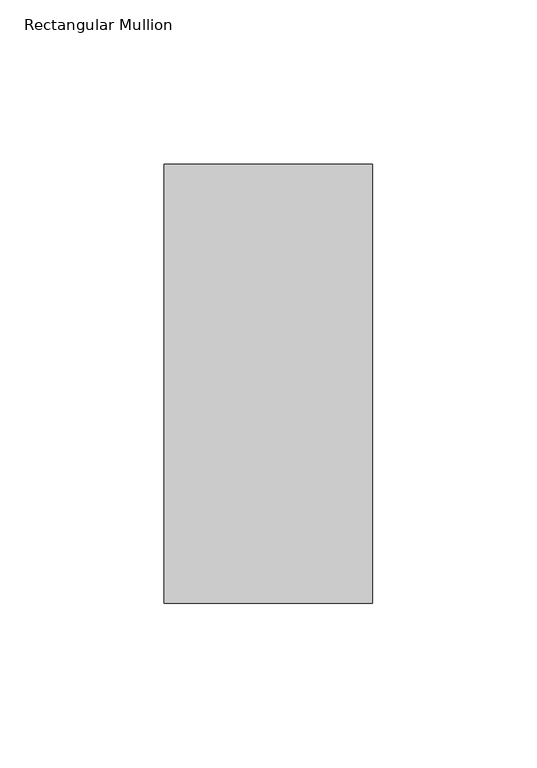
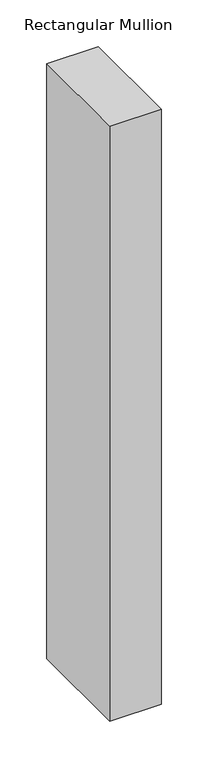
"""IFC4 building model written with IfcOpenShell, lengths in millimetres: member geometry, Rectangular Mullion."""

import ifcopenshell
import ifcopenshell.guid

model = None  # the IFC model being written
_history = None  # IfcOwnerHistory: only IFC2X3 demands one
_inside = {}  # id of a spatial element -> (the spatial element, [elements in it])
_under = {}  # id of a project, library or spatial element -> (it, [spatial elements below it])
_declared = {}  # id of a project -> (the project, [libraries it declares])
_typed = {}  # id of a type object -> (the type object, [elements of that type])
_made_of = {}  # id of a material, layer set ... -> (it, [elements and type objects made of it])


def new_model(schema):
    """Start an empty IFC model of exactly this schema.

    Asked for "IFC4X3", IfcOpenShell would pick the latest addendum, in which some entities
    have other attributes; the version numbers below select the first issue.
    IFC2X3 requires an IfcOwnerHistory on every rooted entity: one is made here for all.
    """
    global model, _history
    if schema == "IFC4X3":
        model = ifcopenshell.file(schema_version=(4, 3, 0, 0))
    else:
        model = ifcopenshell.file(schema=schema)
    _inside.clear()
    _under.clear()
    _declared.clear()
    _typed.clear()
    _made_of.clear()
    _history = None
    if model.schema == "IFC2X3":
        org = make("IfcOrganization", Name="unknown")
        user = make(
            "IfcPersonAndOrganization",
            ThePerson=make("IfcPerson", FamilyName="unknown"),
            TheOrganization=org,
        )
        app = make(
            "IfcApplication",
            ApplicationDeveloper=org,
            Version="unknown",
            ApplicationFullName="unknown",
            ApplicationIdentifier="unknown",
        )
        _history = make(
            "IfcOwnerHistory",
            OwningUser=user,
            OwningApplication=app,
            ChangeAction="ADDED",
            CreationDate=0,
        )
    return model


def make(cls, **values):
    """One entity of the class cls with the attributes given. An attribute that is None is left unset."""
    return model.create_entity(
        cls, **{name: value for name, value in values.items() if value is not None}
    )


def rooted(cls, **values):
    """An entity with a GlobalId (a new one), such as an element, a storey or a relation."""
    return make(cls, GlobalId=ifcopenshell.guid.new(), OwnerHistory=_history, **values)


def si_unit(unit_type, name, prefix=None):
    """IfcSIUnit, for example si_unit("LENGTHUNIT", "METRE", prefix="MILLI")."""
    return make("IfcSIUnit", UnitType=unit_type, Prefix=prefix, Name=name)


def assignment(units):
    """IfcUnitAssignment: the units of a project."""
    return None if units is None else make("IfcUnitAssignment", Units=units)


def point(xyz):
    """IfcCartesianPoint."""
    return None if xyz is None else make("IfcCartesianPoint", Coordinates=xyz)


def direction(xyz):
    """IfcDirection."""
    return None if xyz is None else make("IfcDirection", DirectionRatios=xyz)


def frame(location, z_axis=None, x_axis=None):
    """IfcAxis2Placement3D, a coordinate frame: its origin and axes. An axis left out is left unset."""
    return make(
        "IfcAxis2Placement3D",
        Location=point(location),
        Axis=direction(z_axis),
        RefDirection=direction(x_axis),
    )


def origin():
    """The frame at (0, 0, 0) with its axes left unset."""
    return frame((0.0, 0.0, 0.0))


def place(relative_to, where):
    """IfcLocalPlacement: puts the frame where relative to a parent placement (None: the world)."""
    return make(
        "IfcLocalPlacement", PlacementRelTo=relative_to, RelativePlacement=where
    )


def context(
    kind, dimensions, precision=None, world=None, true_north=None, identifier=None
):
    """IfcGeometricRepresentationContext, for example the 3D "Model" context."""
    return make(
        "IfcGeometricRepresentationContext",
        ContextIdentifier=identifier,
        ContextType=kind,
        CoordinateSpaceDimension=dimensions,
        Precision=precision,
        WorldCoordinateSystem=world,
        TrueNorth=true_north,
    )


def project(units=None, contexts=None):
    """IfcProject with its units and contexts."""
    return rooted(
        "IfcProject",
        Name="project",
        RepresentationContexts=contexts,
        UnitsInContext=assignment(units),
    )


def spatial(cls, under=None, at=None, **own):
    """A site, building, storey or space (cls), placed at a placement, below another one or the project."""
    s = rooted(cls, ObjectPlacement=at, **own)
    if under is not None:
        _under.setdefault(under.id(), (under, []))[1].append(s)
    return s


def polyline(points):
    """IfcPolyline through the points."""
    return make("IfcPolyline", Points=[point(p) for p in points])


def outline(outer, holes=None, kind="AREA"):
    """IfcArbitraryClosedProfileDef: a profile drawn as a closed curve; with holes, ...WithVoids."""
    if holes is None:
        return make("IfcArbitraryClosedProfileDef", ProfileType=kind, OuterCurve=outer)
    return make(
        "IfcArbitraryProfileDefWithVoids",
        ProfileType=kind,
        OuterCurve=outer,
        InnerCurves=holes,
    )


def extrude(swept, where, along, depth):
    """IfcExtrudedAreaSolid: the profile swept, set in the frame where, extruded along a direction by depth."""
    return make(
        "IfcExtrudedAreaSolid",
        SweptArea=swept,
        Position=where,
        ExtrudedDirection=direction(along),
        Depth=depth,
    )


def shape(context_of_items, identifier, shape_type, items):
    """IfcShapeRepresentation: the items that make up one representation, for example the "Body"."""
    return make(
        "IfcShapeRepresentation",
        ContextOfItems=context_of_items,
        RepresentationIdentifier=identifier,
        RepresentationType=shape_type,
        Items=items,
    )


def source(mapping_origin, context_of_items, identifier, shape_type, items):
    """IfcRepresentationMap: a shape defined once, which mapped items show again and again."""
    return make(
        "IfcRepresentationMap",
        MappingOrigin=mapping_origin,
        MappedRepresentation=shape(context_of_items, identifier, shape_type, items),
    )


def transform(
    local_origin,
    x_axis=None,
    y_axis=None,
    z_axis=None,
    scale=None,
    scale2=None,
    scale3=None,
    uniform=True,
):
    """IfcCartesianTransformationOperator3D, or its non-uniform kind. x_axis, y_axis, z_axis: its Axis1, 2, 3."""
    if uniform:
        return make(
            "IfcCartesianTransformationOperator3D",
            Axis1=direction(x_axis),
            Axis2=direction(y_axis),
            LocalOrigin=point(local_origin),
            Scale=scale,
            Axis3=direction(z_axis),
        )
    return make(
        "IfcCartesianTransformationOperator3DnonUniform",
        Axis1=direction(x_axis),
        Axis2=direction(y_axis),
        LocalOrigin=point(local_origin),
        Scale=scale,
        Axis3=direction(z_axis),
        Scale2=scale2,
        Scale3=scale3,
    )


def mapped(mapping_source, mapping_target):
    """IfcMappedItem: shows the shape of a source again, moved by a transform."""
    return make(
        "IfcMappedItem", MappingSource=mapping_source, MappingTarget=mapping_target
    )


def made_of(thing, what):
    """Note that an element or type object is made of a material, layer set ...; save() writes the relation."""
    if what is not None:
        _made_of.setdefault(what.id(), (what, []))[1].append(thing)
    return thing


def element(
    cls,
    number,
    at=None,
    inside=None,
    cuts=None,
    type_object=None,
    material=None,
    context=None,
    identifier="Body",
    shape_type=None,
    held_by="IfcProductDefinitionShape",
    body=None,
    shapes=None,
    **own,
):
    """One element of the class cls, such as IfcWall. Its Tag is "e" and its number.

    at: its placement. inside: the storey or other place that contains it. cuts: it is an
    opening in that element (IfcRelVoidsElement). A single representation is given by context,
    identifier, shape_type and body (its items); several are given by shapes. held_by: the class
    of the entity that holds the representations. save() writes the other relations.
    """
    e = rooted(cls, Tag="e%d" % number, ObjectPlacement=at, **own)
    if body is not None:
        shapes = [shape(context, identifier, shape_type, body)]
    if shapes is not None:
        e.Representation = make(held_by, Representations=shapes)
    if inside is not None:
        _inside.setdefault(inside.id(), (inside, []))[1].append(e)
    if cuts is not None:
        rooted(
            "IfcRelVoidsElement", RelatingBuildingElement=cuts, RelatedOpeningElement=e
        )
    if type_object is not None:
        _typed.setdefault(type_object.id(), (type_object, []))[1].append(e)
    return made_of(e, material)


def aggregate(whole, parts):
    """IfcRelAggregates: a whole, such as a stair, and the parts it consists of."""
    return rooted("IfcRelAggregates", RelatingObject=whole, RelatedObjects=parts)


def save(model, path):
    """Write the relations noted so far, then the file.

    IfcRelAggregates (storeys below a building ...), IfcRelContainedInSpatialStructure (elements
    in a storey), IfcRelDefinesByType, IfcRelAssociatesMaterial and IfcRelDeclares: one each for
    every whole, place, type object, material and project.
    """
    for whole, parts in _under.values():
        aggregate(whole, parts)
    for where, things in _inside.values():
        rooted(
            "IfcRelContainedInSpatialStructure",
            RelatedElements=things,
            RelatingStructure=where,
        )
    for kind, things in _typed.values():
        rooted("IfcRelDefinesByType", RelatedObjects=things, RelatingType=kind)
    for what, things in _made_of.values():
        rooted("IfcRelAssociatesMaterial", RelatedObjects=things, RelatingMaterial=what)
    for by, libraries in _declared.values():
        rooted("IfcRelDeclares", RelatingContext=by, RelatedDefinitions=libraries)
    model.write(path)


def rectangular_mullion_e7f9c9cb(model_context):
    return source(origin(), model_context, "Body", "SweptSolid", [
        extrude(outline(polyline([(31.75, 191.284225), (31.75, 57.6460937), (-31.75, 57.6460937), (-31.75, 191.284225), (31.75, 191.284225)])), frame((0.0, 0.0, -774.7), z_axis=(0.0, 0.0, 1.0), x_axis=(1.0, 0.0, 0.0)), (0.0, 0.0, 1.0), 774.7),
    ])


if __name__ == "__main__":
    model = new_model("IFC4")
    model_context = context("Model", 3, world=origin())
    ifc_project = project(units=[si_unit("LENGTHUNIT", "METRE", prefix="MILLI")], contexts=[model_context])
    site = spatial("IfcSite", under=ifc_project)
    building = spatial("IfcBuilding", under=site)
    placement = place(None, origin())
    rectangular_mullion_shape = rectangular_mullion_e7f9c9cb(model_context)
    element("IfcMember", 1, ObjectType="Rectangular Mullion", at=placement, inside=building, context=model_context, shape_type="MappedRepresentation", body=[
        mapped(rectangular_mullion_shape, transform((0.0, 0.0, 0.0), x_axis=(1.0, 0.0, 0.0), y_axis=(0.0, 1.0, 0.0), z_axis=(0.0, 0.0, 1.0))),
    ])
    save(model, "model.ifc")
